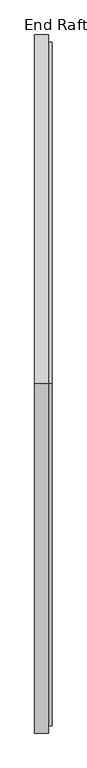
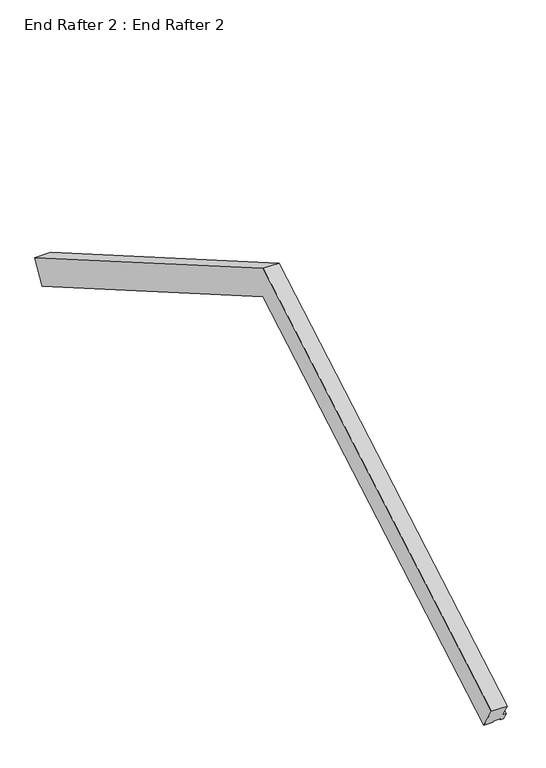
"""IFC4 building model written with IfcOpenShell, lengths in millimetres: proxy geometry, End Rafter 2 : End Rafter 2."""

import ifcopenshell
import ifcopenshell.guid

model = None  # the IFC model being written
_history = None  # IfcOwnerHistory: only IFC2X3 demands one
_inside = {}  # id of a spatial element -> (the spatial element, [elements in it])
_under = {}  # id of a project, library or spatial element -> (it, [spatial elements below it])
_declared = {}  # id of a project -> (the project, [libraries it declares])
_typed = {}  # id of a type object -> (the type object, [elements of that type])
_made_of = {}  # id of a material, layer set ... -> (it, [elements and type objects made of it])


def new_model(schema):
    """Start an empty IFC model of exactly this schema.

    Asked for "IFC4X3", IfcOpenShell would pick the latest addendum, in which some entities
    have other attributes; the version numbers below select the first issue.
    IFC2X3 requires an IfcOwnerHistory on every rooted entity: one is made here for all.
    """
    global model, _history
    if schema == "IFC4X3":
        model = ifcopenshell.file(schema_version=(4, 3, 0, 0))
    else:
        model = ifcopenshell.file(schema=schema)
    _inside.clear()
    _under.clear()
    _declared.clear()
    _typed.clear()
    _made_of.clear()
    _history = None
    if model.schema == "IFC2X3":
        org = make("IfcOrganization", Name="unknown")
        user = make(
            "IfcPersonAndOrganization",
            ThePerson=make("IfcPerson", FamilyName="unknown"),
            TheOrganization=org,
        )
        app = make(
            "IfcApplication",
            ApplicationDeveloper=org,
            Version="unknown",
            ApplicationFullName="unknown",
            ApplicationIdentifier="unknown",
        )
        _history = make(
            "IfcOwnerHistory",
            OwningUser=user,
            OwningApplication=app,
            ChangeAction="ADDED",
            CreationDate=0,
        )
    return model


def make(cls, **values):
    """One entity of the class cls with the attributes given. An attribute that is None is left unset."""
    return model.create_entity(
        cls, **{name: value for name, value in values.items() if value is not None}
    )


def rooted(cls, **values):
    """An entity with a GlobalId (a new one), such as an element, a storey or a relation."""
    return make(cls, GlobalId=ifcopenshell.guid.new(), OwnerHistory=_history, **values)


def si_unit(unit_type, name, prefix=None):
    """IfcSIUnit, for example si_unit("LENGTHUNIT", "METRE", prefix="MILLI")."""
    return make("IfcSIUnit", UnitType=unit_type, Prefix=prefix, Name=name)


def assignment(units):
    """IfcUnitAssignment: the units of a project."""
    return None if units is None else make("IfcUnitAssignment", Units=units)


def point(xyz):
    """IfcCartesianPoint."""
    return None if xyz is None else make("IfcCartesianPoint", Coordinates=xyz)


def direction(xyz):
    """IfcDirection."""
    return None if xyz is None else make("IfcDirection", DirectionRatios=xyz)


def frame(location, z_axis=None, x_axis=None):
    """IfcAxis2Placement3D, a coordinate frame: its origin and axes. An axis left out is left unset."""
    return make(
        "IfcAxis2Placement3D",
        Location=point(location),
        Axis=direction(z_axis),
        RefDirection=direction(x_axis),
    )


def origin():
    """The frame at (0, 0, 0) with its axes left unset."""
    return frame((0.0, 0.0, 0.0))


def place(relative_to, where):
    """IfcLocalPlacement: puts the frame where relative to a parent placement (None: the world)."""
    return make(
        "IfcLocalPlacement", PlacementRelTo=relative_to, RelativePlacement=where
    )


def context(
    kind, dimensions, precision=None, world=None, true_north=None, identifier=None
):
    """IfcGeometricRepresentationContext, for example the 3D "Model" context."""
    return make(
        "IfcGeometricRepresentationContext",
        ContextIdentifier=identifier,
        ContextType=kind,
        CoordinateSpaceDimension=dimensions,
        Precision=precision,
        WorldCoordinateSystem=world,
        TrueNorth=true_north,
    )


def project(units=None, contexts=None):
    """IfcProject with its units and contexts."""
    return rooted(
        "IfcProject",
        Name="project",
        RepresentationContexts=contexts,
        UnitsInContext=assignment(units),
    )


def spatial(cls, under=None, at=None, **own):
    """A site, building, storey or space (cls), placed at a placement, below another one or the project."""
    s = rooted(cls, ObjectPlacement=at, **own)
    if under is not None:
        _under.setdefault(under.id(), (under, []))[1].append(s)
    return s


def faces_of(points, faces, orient=None, outer=None):
    """IfcFace entities. A face is a list of loops; a loop is a list of indices into points, from 0.

    orient and outer hold one flag for each loop. By default every Orientation is true, the
    first loop of a face is its IfcFaceOuterBound and the others are IfcFaceBound.
    """
    made = []
    for i, loops in enumerate(faces):
        bounds = []
        for j, loop in enumerate(loops):
            is_outer = j == 0 if outer is None else outer[i][j]
            bounds.append(
                make(
                    "IfcFaceOuterBound" if is_outer else "IfcFaceBound",
                    Bound=make("IfcPolyLoop", Polygon=[points[k] for k in loop]),
                    Orientation=True if orient is None else orient[i][j],
                )
            )
        made.append(make("IfcFace", Bounds=bounds))
    return made


def faceted_brep(points, faces, orient=None, outer=None, voids=None):
    """IfcFacetedBrep: a solid bounded by flat faces; with voids (closed shells), ...WithVoids."""
    shared = [point(p) for p in points]
    hull = make("IfcClosedShell", CfsFaces=faces_of(shared, faces, orient, outer))
    if voids is None:
        return make("IfcFacetedBrep", Outer=hull)
    return make(
        "IfcFacetedBrepWithVoids",
        Outer=hull,
        Voids=[
            make(cls, CfsFaces=faces_of(shared, fs, o, b)) for cls, fs, o, b in voids
        ],
    )


def shape(context_of_items, identifier, shape_type, items):
    """IfcShapeRepresentation: the items that make up one representation, for example the "Body"."""
    return make(
        "IfcShapeRepresentation",
        ContextOfItems=context_of_items,
        RepresentationIdentifier=identifier,
        RepresentationType=shape_type,
        Items=items,
    )


def source(mapping_origin, context_of_items, identifier, shape_type, items):
    """IfcRepresentationMap: a shape defined once, which mapped items show again and again."""
    return make(
        "IfcRepresentationMap",
        MappingOrigin=mapping_origin,
        MappedRepresentation=shape(context_of_items, identifier, shape_type, items),
    )


def transform(
    local_origin,
    x_axis=None,
    y_axis=None,
    z_axis=None,
    scale=None,
    scale2=None,
    scale3=None,
    uniform=True,
):
    """IfcCartesianTransformationOperator3D, or its non-uniform kind. x_axis, y_axis, z_axis: its Axis1, 2, 3."""
    if uniform:
        return make(
            "IfcCartesianTransformationOperator3D",
            Axis1=direction(x_axis),
            Axis2=direction(y_axis),
            LocalOrigin=point(local_origin),
            Scale=scale,
            Axis3=direction(z_axis),
        )
    return make(
        "IfcCartesianTransformationOperator3DnonUniform",
        Axis1=direction(x_axis),
        Axis2=direction(y_axis),
        LocalOrigin=point(local_origin),
        Scale=scale,
        Axis3=direction(z_axis),
        Scale2=scale2,
        Scale3=scale3,
    )


def mapped(mapping_source, mapping_target):
    """IfcMappedItem: shows the shape of a source again, moved by a transform."""
    return make(
        "IfcMappedItem", MappingSource=mapping_source, MappingTarget=mapping_target
    )


def made_of(thing, what):
    """Note that an element or type object is made of a material, layer set ...; save() writes the relation."""
    if what is not None:
        _made_of.setdefault(what.id(), (what, []))[1].append(thing)
    return thing


def element(
    cls,
    number,
    at=None,
    inside=None,
    cuts=None,
    type_object=None,
    material=None,
    context=None,
    identifier="Body",
    shape_type=None,
    held_by="IfcProductDefinitionShape",
    body=None,
    shapes=None,
    **own,
):
    """One element of the class cls, such as IfcWall. Its Tag is "e" and its number.

    at: its placement. inside: the storey or other place that contains it. cuts: it is an
    opening in that element (IfcRelVoidsElement). A single representation is given by context,
    identifier, shape_type and body (its items); several are given by shapes. held_by: the class
    of the entity that holds the representations. save() writes the other relations.
    """
    e = rooted(cls, Tag="e%d" % number, ObjectPlacement=at, **own)
    if body is not None:
        shapes = [shape(context, identifier, shape_type, body)]
    if shapes is not None:
        e.Representation = make(held_by, Representations=shapes)
    if inside is not None:
        _inside.setdefault(inside.id(), (inside, []))[1].append(e)
    if cuts is not None:
        rooted(
            "IfcRelVoidsElement", RelatingBuildingElement=cuts, RelatedOpeningElement=e
        )
    if type_object is not None:
        _typed.setdefault(type_object.id(), (type_object, []))[1].append(e)
    return made_of(e, material)


def aggregate(whole, parts):
    """IfcRelAggregates: a whole, such as a stair, and the parts it consists of."""
    return rooted("IfcRelAggregates", RelatingObject=whole, RelatedObjects=parts)


def save(model, path):
    """Write the relations noted so far, then the file.

    IfcRelAggregates (storeys below a building ...), IfcRelContainedInSpatialStructure (elements
    in a storey), IfcRelDefinesByType, IfcRelAssociatesMaterial and IfcRelDeclares: one each for
    every whole, place, type object, material and project.
    """
    for whole, parts in _under.values():
        aggregate(whole, parts)
    for where, things in _inside.values():
        rooted(
            "IfcRelContainedInSpatialStructure",
            RelatedElements=things,
            RelatingStructure=where,
        )
    for kind, things in _typed.values():
        rooted("IfcRelDefinesByType", RelatedObjects=things, RelatingType=kind)
    for what, things in _made_of.values():
        rooted("IfcRelAssociatesMaterial", RelatedObjects=things, RelatingMaterial=what)
    for by, libraries in _declared.values():
        rooted("IfcRelDeclares", RelatingContext=by, RelatedDefinitions=libraries)
    model.write(path)


def end_rafter_2_end_rafter_2_7ec87bc4(model_context):
    return source(origin(), model_context, "Body", "Brep", [
        faceted_brep([(12059.7409534, -18134.4793296, 84.8396649), (12059.7409534, -18177.9989806, 9.4614181), (12080.2539169, -18177.9989806, 9.4614181), (12080.2539169, -18204.9538741, -37.2258269), (12064.7228493, -18204.9538741, -37.2258269), (12064.7228493, -18197.3895848, -24.1240935), (12023.0903612, -18197.3895848, -24.1240935), (12023.0903612, -18203.3788408, -34.4977892), (11975.2487484, -18203.3788408, -34.4977892), (11975.2487484, -18134.4793296, 84.8396649), (12059.7409534, -22355.1523038, 84.7585502), (11975.2487484, -22355.1523038, 84.7585502), (11975.2487484, -22286.2527925, -34.5789039), (12023.0903612, -22286.2527925, -34.5789039), (12023.0903612, -22292.2420485, -24.2052082), (12064.7228493, -22292.2420485, -24.2052082), (12064.7228493, -22284.6777593, -37.3069415), (12080.2539169, -22284.6777593, -37.3069415), (12080.2539169, -22311.6326527, 9.3803034), (12059.7409534, -22311.6326527, 9.3803034), (12080.2539169, -20244.7455693, 1202.6981174), (12059.7409534, -20244.7455693, 1202.6981174), (12064.7228493, -20244.7455693, 1140.4484575), (12080.2539169, -20244.7455693, 1140.4484575), (12023.0903612, -20244.7455693, 1157.9174353), (12064.7228493, -20244.7455693, 1157.9174353), (11975.2487484, -20244.7455693, 1144.085841), (12023.0903612, -20244.7455693, 1144.085841), (12059.7409534, -20244.7455693, 1303.2024465), (11975.2487484, -20244.7455693, 1303.2024465)], [[[0, 1, 2, 3, 4, 5, 6, 7, 8, 9]], [[10, 11, 12, 13, 14, 15, 16, 17, 18, 19]], [[20, 21, 19, 18]], [[22, 23, 17, 16]], [[24, 25, 15, 14]], [[26, 27, 13, 12]], [[28, 29, 11, 10]], [[1, 0, 28, 10, 19, 21]], [[2, 1, 21, 20]], [[3, 2, 20, 18, 17, 23]], [[4, 3, 23, 22]], [[5, 4, 22, 16, 15, 25]], [[6, 5, 25, 24]], [[7, 6, 24, 14, 13, 27]], [[8, 7, 27, 26]], [[9, 8, 26, 12, 11, 29]], [[0, 9, 29, 28]]]),
    ])


if __name__ == "__main__":
    model = new_model("IFC4")
    model_context = context("Model", 3, world=origin())
    ifc_project = project(units=[si_unit("LENGTHUNIT", "METRE", prefix="MILLI")], contexts=[model_context])
    site = spatial("IfcSite", under=ifc_project)
    building = spatial("IfcBuilding", under=site)
    placement = place(None, origin())
    end_rafter_2_end_rafter_2_shape = end_rafter_2_end_rafter_2_7ec87bc4(model_context)
    element("IfcBuildingElementProxy", 1, Name="End Rafter 2 : End Rafter 2", ObjectType="End Rafter 2 : End Rafter 2", at=placement, inside=building, context=model_context, shape_type="MappedRepresentation", body=[
        mapped(end_rafter_2_end_rafter_2_shape, transform((0.0, 0.0, 0.0), x_axis=(1.0, 0.0, 0.0), y_axis=(0.0, 1.0, 0.0), z_axis=(0.0, 0.0, 1.0))),
    ])
    save(model, "model.ifc")
